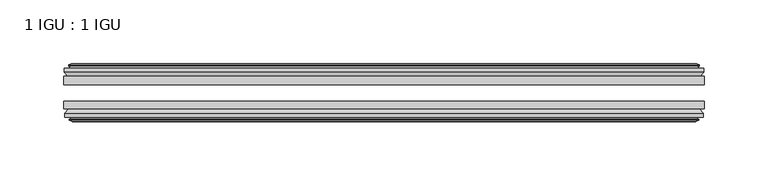
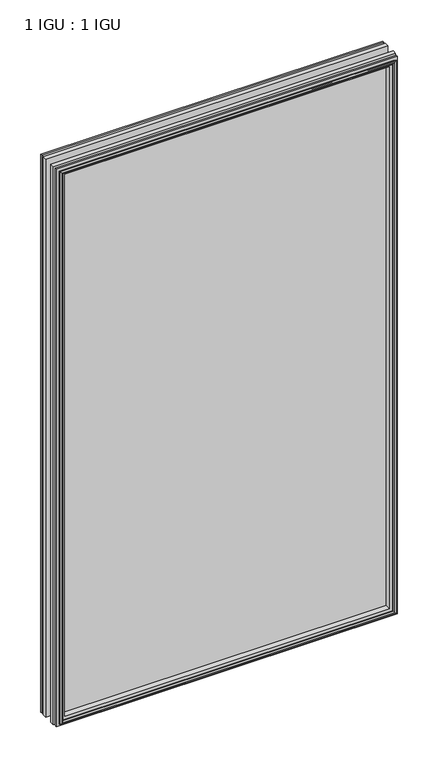
"""IFC4 building model written with IfcOpenShell, lengths in millimetres: plate geometry, 1 IGU : 1 IGU."""

from ifc_helpers import new_model, si_unit, frame, origin, place, context, project, spatial, polyline, outline, extrude, faceted_brep, source, transform, mapped, element, save


def plate_1_igu_1_igu_c8ff92dd(model_context):
    return source(origin(), model_context, "Body", "SolidModel", [
        extrude(outline(polyline([(250.3551766, -25.8960937), (250.3551766, -32.2460938), (-250.3551766, -32.2460938), (-250.3551766, -25.8960937), (250.3551766, -25.8960937)])), frame((0.0, 0.0, -12.7), z_axis=(0.0, 0.0, 1.0), x_axis=(1.0, 0.0, 0.0)), (0.0, 0.0, 1.0), 863.6),
        extrude(outline(polyline([(-250.3551766, -51.2960938), (-250.3551766, -45.2686737), (250.3551766, -45.2686737), (250.3551766, -51.2960938), (-250.3551766, -51.2960938)])), frame((0.0, 0.0, -12.7), z_axis=(0.0, 0.0, 1.0), x_axis=(1.0, 0.0, 0.0)), (0.0, 0.0, 1.0), 863.6),
        faceted_brep([(-244.7671766, -60.0262907, 845.312), (-245.1481766, -57.6460937, 845.693), (-245.1481766, -57.6460937, -7.493), (-244.7671766, -60.0262907, -7.112), (-246.1827056, -59.5663575, 846.727529), (-246.1827056, -59.5663575, -8.5275291), (-246.1827056, -60.3675717, 846.727529), (-246.1827056, -60.3675717, -8.5275291), (-244.0051766, -61.0750937, 844.55), (-244.0051766, -61.0750937, -6.35), (-241.8276475, -60.3675717, 842.3724709), (-241.8276475, -60.3675717, -4.1724709), (-241.8276475, -59.5663575, 842.3724709), (-241.8276475, -59.5663575, -4.1724709), (-243.2431766, -60.0262907, 843.788), (-243.2431766, -60.0262907, -5.588), (-242.8621766, -57.6460937, 843.407), (-242.8621766, -57.6460937, -5.207), (-235.9374585, -51.2960937, 836.4822819), (-237.6551766, -57.6460937, 838.2), (-237.6551766, -57.6460937, 0.0), (-235.9374585, -51.2960937, 1.7177181), (-249.5931766, -54.6996937, 850.138), (-246.7588344, -51.2960937, 847.3036578), (-246.7588344, -51.2960937, -9.1036578), (-249.5931766, -54.6996937, -11.938), (-249.5931766, -57.6460937, 850.138), (-249.5931766, -57.6460937, -11.938), (245.1481766, -57.6460938, -7.493), (244.7671766, -60.0262907, -7.112), (246.1827056, -59.5663575, -8.5275291), (246.1827056, -60.3675717, -8.5275291), (244.0051766, -61.0750937, -6.35), (241.8276475, -60.3675717, -4.1724709), (241.8276475, -59.5663575, -4.1724709), (243.2431766, -60.0262907, -5.588), (242.8621766, -57.6460937, -5.207), (237.6551766, -57.6460937, 0.0), (235.9374585, -51.2960937, 1.7177181), (246.7588344, -51.2960937, -9.1036578), (249.5931766, -54.6996937, -11.938), (249.5931766, -57.6460938, -11.938), (245.1481766, -57.6460938, 845.693), (244.7671766, -60.0262907, 845.312), (246.1827056, -59.5663575, 846.727529), (246.1827056, -60.3675717, 846.727529), (244.0051766, -61.0750937, 844.55), (241.8276475, -60.3675717, 842.3724709), (241.8276475, -59.5663575, 842.3724709), (243.2431766, -60.0262907, 843.788), (242.8621766, -57.6460937, 843.407), (237.6551766, -57.6460937, 838.2), (235.9374585, -51.2960937, 836.4822819), (246.7588344, -51.2960937, 847.3036578), (249.5931766, -54.6996937, 850.138), (249.5931766, -57.6460938, 850.138)], [[[0, 1, 2, 3]], [[4, 0, 3, 5]], [[6, 4, 5, 7]], [[8, 6, 7, 9]], [[10, 8, 9, 11]], [[12, 10, 11, 13]], [[14, 12, 13, 15]], [[16, 14, 15, 17]], [[18, 19, 20, 21]], [[22, 23, 24, 25]], [[26, 22, 25, 27]], [[3, 2, 28, 29]], [[5, 3, 29, 30]], [[7, 5, 30, 31]], [[9, 7, 31, 32]], [[11, 9, 32, 33]], [[13, 11, 33, 34]], [[15, 13, 34, 35]], [[17, 15, 35, 36]], [[21, 20, 37, 38]], [[25, 24, 39, 40]], [[27, 25, 40, 41]], [[29, 28, 42, 43]], [[30, 29, 43, 44]], [[31, 30, 44, 45]], [[32, 31, 45, 46]], [[33, 32, 46, 47]], [[34, 33, 47, 48]], [[35, 34, 48, 49]], [[36, 35, 49, 50]], [[38, 37, 51, 52]], [[40, 39, 53, 54]], [[41, 40, 54, 55]], [[27, 41, 55, 26], [1, 42, 28, 2]], [[43, 42, 1, 0]], [[44, 43, 0, 4]], [[45, 44, 4, 6]], [[46, 45, 6, 8]], [[47, 46, 8, 10]], [[48, 47, 10, 12]], [[49, 48, 12, 14]], [[50, 49, 14, 16]], [[17, 36, 50, 16], [19, 51, 37, 20]], [[52, 51, 19, 18]], [[23, 53, 39, 24], [21, 38, 52, 18]], [[54, 53, 23, 22]], [[55, 54, 22, 26]]]),
        faceted_brep([(-247.2795344, -25.8960937, 847.8243578), (-250.1138766, -22.4924937, 850.6587), (-250.1138766, -22.4924937, -12.4587), (-247.2795344, -25.8960937, -9.6243578), (-238.1758766, -19.5460937, 838.7207), (-236.4581585, -25.8960937, 837.0029819), (-236.4581585, -25.8960937, 1.1970181), (-238.1758766, -19.5460937, -0.5207), (-243.7638766, -17.1658968, 844.3087), (-243.3828766, -19.5460937, 843.9277), (-243.3828766, -19.5460937, -5.7277), (-243.7638766, -17.1658968, -6.1087), (-242.3483475, -17.62583, 842.8931709), (-242.3483475, -17.62583, -4.6931709), (-242.3483475, -16.8246158, 842.8931709), (-242.3483475, -16.8246158, -4.6931709), (-244.5258766, -16.1170937, 845.0707), (-244.5258766, -16.1170937, -6.8707), (-246.7034056, -16.8246158, 847.248229), (-246.7034056, -16.8246158, -9.0482291), (-246.7034056, -17.62583, 847.248229), (-246.7034056, -17.62583, -9.0482291), (-245.2878766, -17.1658968, 845.8327), (-245.2878766, -17.1658968, -7.6327), (-245.6688766, -19.5460937, 846.2137), (-245.6688766, -19.5460937, -8.0137), (-250.1138766, -19.5460937, 850.6587), (-250.1138766, -19.5460937, -12.4587), (250.1138766, -22.4924937, -12.4587), (247.2795344, -25.8960937, -9.6243578), (236.4581585, -25.8960937, 1.1970181), (238.1758766, -19.5460937, -0.5207), (243.3828766, -19.5460937, -5.7277), (243.7638766, -17.1658968, -6.1087), (242.3483475, -17.62583, -4.6931709), (242.3483475, -16.8246158, -4.6931709), (244.5258766, -16.1170937, -6.8707), (246.7034056, -16.8246158, -9.0482291), (246.7034056, -17.62583, -9.0482291), (245.2878766, -17.1658968, -7.6327), (245.6688766, -19.5460937, -8.0137), (250.1138766, -19.5460937, -12.4587), (250.1138766, -22.4924937, 850.6587), (247.2795344, -25.8960937, 847.8243578), (236.4581585, -25.8960937, 837.0029819), (238.1758766, -19.5460937, 838.7207), (243.3828766, -19.5460937, 843.9277), (243.7638766, -17.1658968, 844.3087), (242.3483475, -17.62583, 842.8931709), (242.3483475, -16.8246158, 842.8931709), (244.5258766, -16.1170937, 845.0707), (246.7034056, -16.8246158, 847.248229), (246.7034056, -17.62583, 847.248229), (245.2878766, -17.1658968, 845.8327), (245.6688766, -19.5460937, 846.2137), (250.1138766, -19.5460937, 850.6587)], [[[0, 1, 2, 3]], [[4, 5, 6, 7]], [[8, 9, 10, 11]], [[12, 8, 11, 13]], [[14, 12, 13, 15]], [[16, 14, 15, 17]], [[18, 16, 17, 19]], [[20, 18, 19, 21]], [[22, 20, 21, 23]], [[24, 22, 23, 25]], [[1, 26, 27, 2]], [[3, 2, 28, 29]], [[7, 6, 30, 31]], [[11, 10, 32, 33]], [[13, 11, 33, 34]], [[15, 13, 34, 35]], [[17, 15, 35, 36]], [[19, 17, 36, 37]], [[21, 19, 37, 38]], [[23, 21, 38, 39]], [[25, 23, 39, 40]], [[2, 27, 41, 28]], [[29, 28, 42, 43]], [[31, 30, 44, 45]], [[33, 32, 46, 47]], [[34, 33, 47, 48]], [[35, 34, 48, 49]], [[36, 35, 49, 50]], [[37, 36, 50, 51]], [[38, 37, 51, 52]], [[39, 38, 52, 53]], [[40, 39, 53, 54]], [[28, 41, 55, 42]], [[43, 42, 1, 0]], [[3, 29, 43, 0], [5, 44, 30, 6]], [[45, 44, 5, 4]], [[9, 46, 32, 10], [7, 31, 45, 4]], [[47, 46, 9, 8]], [[48, 47, 8, 12]], [[49, 48, 12, 14]], [[50, 49, 14, 16]], [[51, 50, 16, 18]], [[52, 51, 18, 20]], [[53, 52, 20, 22]], [[54, 53, 22, 24]], [[26, 55, 41, 27], [25, 40, 54, 24]], [[42, 55, 26, 1]]]),
    ])


if __name__ == "__main__":
    model = new_model("IFC4")
    model_context = context("Model", 3, world=origin())
    ifc_project = project(units=[si_unit("LENGTHUNIT", "METRE", prefix="MILLI")], contexts=[model_context])
    site = spatial("IfcSite", under=ifc_project)
    building = spatial("IfcBuilding", under=site)
    placement = place(None, origin())
    plate_1_igu_1_igu_shape = plate_1_igu_1_igu_c8ff92dd(model_context)
    element("IfcPlate", 1, ObjectType="1 IGU : 1 IGU", at=placement, inside=building, context=model_context, shape_type="MappedRepresentation", body=[
        mapped(plate_1_igu_1_igu_shape, transform((0.0, 0.0, 0.0), x_axis=(1.0, 0.0, 0.0), y_axis=(0.0, 1.0, 0.0), z_axis=(0.0, 0.0, 1.0))),
    ])
    save(model, "model.ifc")
